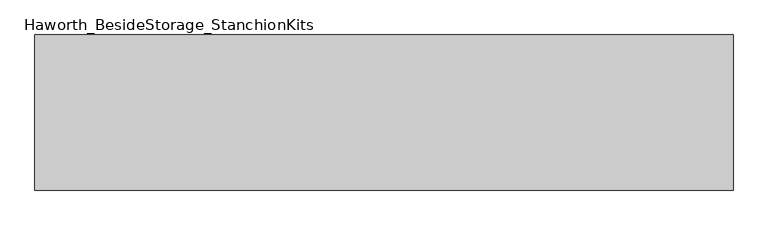
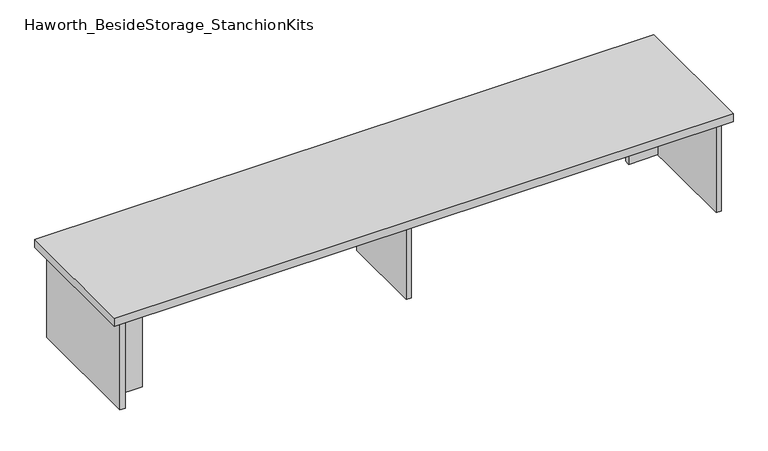
"""IFC4 building model written with IfcOpenShell, lengths in millimetres: furniture geometry, Haworth_BesideStorage_StanchionKits."""

import ifcopenshell
import ifcopenshell.guid

model = None  # the IFC model being written
_history = None  # IfcOwnerHistory: only IFC2X3 demands one
_inside = {}  # id of a spatial element -> (the spatial element, [elements in it])
_under = {}  # id of a project, library or spatial element -> (it, [spatial elements below it])
_declared = {}  # id of a project -> (the project, [libraries it declares])
_typed = {}  # id of a type object -> (the type object, [elements of that type])
_made_of = {}  # id of a material, layer set ... -> (it, [elements and type objects made of it])


def new_model(schema):
    """Start an empty IFC model of exactly this schema.

    Asked for "IFC4X3", IfcOpenShell would pick the latest addendum, in which some entities
    have other attributes; the version numbers below select the first issue.
    IFC2X3 requires an IfcOwnerHistory on every rooted entity: one is made here for all.
    """
    global model, _history
    if schema == "IFC4X3":
        model = ifcopenshell.file(schema_version=(4, 3, 0, 0))
    else:
        model = ifcopenshell.file(schema=schema)
    _inside.clear()
    _under.clear()
    _declared.clear()
    _typed.clear()
    _made_of.clear()
    _history = None
    if model.schema == "IFC2X3":
        org = make("IfcOrganization", Name="unknown")
        user = make(
            "IfcPersonAndOrganization",
            ThePerson=make("IfcPerson", FamilyName="unknown"),
            TheOrganization=org,
        )
        app = make(
            "IfcApplication",
            ApplicationDeveloper=org,
            Version="unknown",
            ApplicationFullName="unknown",
            ApplicationIdentifier="unknown",
        )
        _history = make(
            "IfcOwnerHistory",
            OwningUser=user,
            OwningApplication=app,
            ChangeAction="ADDED",
            CreationDate=0,
        )
    return model


def make(cls, **values):
    """One entity of the class cls with the attributes given. An attribute that is None is left unset."""
    return model.create_entity(
        cls, **{name: value for name, value in values.items() if value is not None}
    )


def rooted(cls, **values):
    """An entity with a GlobalId (a new one), such as an element, a storey or a relation."""
    return make(cls, GlobalId=ifcopenshell.guid.new(), OwnerHistory=_history, **values)


def si_unit(unit_type, name, prefix=None):
    """IfcSIUnit, for example si_unit("LENGTHUNIT", "METRE", prefix="MILLI")."""
    return make("IfcSIUnit", UnitType=unit_type, Prefix=prefix, Name=name)


def assignment(units):
    """IfcUnitAssignment: the units of a project."""
    return None if units is None else make("IfcUnitAssignment", Units=units)


def point(xyz):
    """IfcCartesianPoint."""
    return None if xyz is None else make("IfcCartesianPoint", Coordinates=xyz)


def direction(xyz):
    """IfcDirection."""
    return None if xyz is None else make("IfcDirection", DirectionRatios=xyz)


def frame(location, z_axis=None, x_axis=None):
    """IfcAxis2Placement3D, a coordinate frame: its origin and axes. An axis left out is left unset."""
    return make(
        "IfcAxis2Placement3D",
        Location=point(location),
        Axis=direction(z_axis),
        RefDirection=direction(x_axis),
    )


def origin():
    """The frame at (0, 0, 0) with its axes left unset."""
    return frame((0.0, 0.0, 0.0))


def place(relative_to, where):
    """IfcLocalPlacement: puts the frame where relative to a parent placement (None: the world)."""
    return make(
        "IfcLocalPlacement", PlacementRelTo=relative_to, RelativePlacement=where
    )


def context(
    kind, dimensions, precision=None, world=None, true_north=None, identifier=None
):
    """IfcGeometricRepresentationContext, for example the 3D "Model" context."""
    return make(
        "IfcGeometricRepresentationContext",
        ContextIdentifier=identifier,
        ContextType=kind,
        CoordinateSpaceDimension=dimensions,
        Precision=precision,
        WorldCoordinateSystem=world,
        TrueNorth=true_north,
    )


def project(units=None, contexts=None):
    """IfcProject with its units and contexts."""
    return rooted(
        "IfcProject",
        Name="project",
        RepresentationContexts=contexts,
        UnitsInContext=assignment(units),
    )


def spatial(cls, under=None, at=None, **own):
    """A site, building, storey or space (cls), placed at a placement, below another one or the project."""
    s = rooted(cls, ObjectPlacement=at, **own)
    if under is not None:
        _under.setdefault(under.id(), (under, []))[1].append(s)
    return s


def polyline(points):
    """IfcPolyline through the points."""
    return make("IfcPolyline", Points=[point(p) for p in points])


def outline(outer, holes=None, kind="AREA"):
    """IfcArbitraryClosedProfileDef: a profile drawn as a closed curve; with holes, ...WithVoids."""
    if holes is None:
        return make("IfcArbitraryClosedProfileDef", ProfileType=kind, OuterCurve=outer)
    return make(
        "IfcArbitraryProfileDefWithVoids",
        ProfileType=kind,
        OuterCurve=outer,
        InnerCurves=holes,
    )


def extrude(swept, where, along, depth):
    """IfcExtrudedAreaSolid: the profile swept, set in the frame where, extruded along a direction by depth."""
    return make(
        "IfcExtrudedAreaSolid",
        SweptArea=swept,
        Position=where,
        ExtrudedDirection=direction(along),
        Depth=depth,
    )


def shape(context_of_items, identifier, shape_type, items):
    """IfcShapeRepresentation: the items that make up one representation, for example the "Body"."""
    return make(
        "IfcShapeRepresentation",
        ContextOfItems=context_of_items,
        RepresentationIdentifier=identifier,
        RepresentationType=shape_type,
        Items=items,
    )


def source(mapping_origin, context_of_items, identifier, shape_type, items):
    """IfcRepresentationMap: a shape defined once, which mapped items show again and again."""
    return make(
        "IfcRepresentationMap",
        MappingOrigin=mapping_origin,
        MappedRepresentation=shape(context_of_items, identifier, shape_type, items),
    )


def transform(
    local_origin,
    x_axis=None,
    y_axis=None,
    z_axis=None,
    scale=None,
    scale2=None,
    scale3=None,
    uniform=True,
):
    """IfcCartesianTransformationOperator3D, or its non-uniform kind. x_axis, y_axis, z_axis: its Axis1, 2, 3."""
    if uniform:
        return make(
            "IfcCartesianTransformationOperator3D",
            Axis1=direction(x_axis),
            Axis2=direction(y_axis),
            LocalOrigin=point(local_origin),
            Scale=scale,
            Axis3=direction(z_axis),
        )
    return make(
        "IfcCartesianTransformationOperator3DnonUniform",
        Axis1=direction(x_axis),
        Axis2=direction(y_axis),
        LocalOrigin=point(local_origin),
        Scale=scale,
        Axis3=direction(z_axis),
        Scale2=scale2,
        Scale3=scale3,
    )


def mapped(mapping_source, mapping_target):
    """IfcMappedItem: shows the shape of a source again, moved by a transform."""
    return make(
        "IfcMappedItem", MappingSource=mapping_source, MappingTarget=mapping_target
    )


def made_of(thing, what):
    """Note that an element or type object is made of a material, layer set ...; save() writes the relation."""
    if what is not None:
        _made_of.setdefault(what.id(), (what, []))[1].append(thing)
    return thing


def element(
    cls,
    number,
    at=None,
    inside=None,
    cuts=None,
    type_object=None,
    material=None,
    context=None,
    identifier="Body",
    shape_type=None,
    held_by="IfcProductDefinitionShape",
    body=None,
    shapes=None,
    **own,
):
    """One element of the class cls, such as IfcWall. Its Tag is "e" and its number.

    at: its placement. inside: the storey or other place that contains it. cuts: it is an
    opening in that element (IfcRelVoidsElement). A single representation is given by context,
    identifier, shape_type and body (its items); several are given by shapes. held_by: the class
    of the entity that holds the representations. save() writes the other relations.
    """
    e = rooted(cls, Tag="e%d" % number, ObjectPlacement=at, **own)
    if body is not None:
        shapes = [shape(context, identifier, shape_type, body)]
    if shapes is not None:
        e.Representation = make(held_by, Representations=shapes)
    if inside is not None:
        _inside.setdefault(inside.id(), (inside, []))[1].append(e)
    if cuts is not None:
        rooted(
            "IfcRelVoidsElement", RelatingBuildingElement=cuts, RelatedOpeningElement=e
        )
    if type_object is not None:
        _typed.setdefault(type_object.id(), (type_object, []))[1].append(e)
    return made_of(e, material)


def aggregate(whole, parts):
    """IfcRelAggregates: a whole, such as a stair, and the parts it consists of."""
    return rooted("IfcRelAggregates", RelatingObject=whole, RelatedObjects=parts)


def save(model, path):
    """Write the relations noted so far, then the file.

    IfcRelAggregates (storeys below a building ...), IfcRelContainedInSpatialStructure (elements
    in a storey), IfcRelDefinesByType, IfcRelAssociatesMaterial and IfcRelDeclares: one each for
    every whole, place, type object, material and project.
    """
    for whole, parts in _under.values():
        aggregate(whole, parts)
    for where, things in _inside.values():
        rooted(
            "IfcRelContainedInSpatialStructure",
            RelatedElements=things,
            RelatingStructure=where,
        )
    for kind, things in _typed.values():
        rooted("IfcRelDefinesByType", RelatedObjects=things, RelatingType=kind)
    for what, things in _made_of.values():
        rooted("IfcRelAssociatesMaterial", RelatedObjects=things, RelatingMaterial=what)
    for by, libraries in _declared.values():
        rooted("IfcRelDeclares", RelatingContext=by, RelatedDefinitions=libraries)
    model.write(path)


def haworth_besidestorage_stanchionkits_283c956a(model_context):
    return source(origin(), model_context, "Body", "SweptSolid", [
        extrude(outline(polyline([(1076.325, 0.0), (1076.325, -406.4), (-752.475, -406.4), (-752.475, 0.0), (1076.325, 0.0)])), frame((0.0, 0.0, 711.2), z_axis=(0.0, 0.0, 1.0), x_axis=(1.0, 0.0, 0.0)), (0.0, 0.0, 1.0), 25.4),
        extrude(outline(polyline([(949.325, -76.2), (1035.05, -76.2), (1035.05, -92.075), (949.325, -92.075), (949.325, -76.2)])), frame((0.0, 0.0, 431.8), z_axis=(0.0, 0.0, 1.0), x_axis=(1.0, 0.0, 0.0)), (0.0, 0.0, 1.0), 279.4),
        extrude(outline(polyline([(-625.475, -314.325), (-625.475, -330.2), (-711.2, -330.2), (-711.2, -314.325), (-625.475, -314.325)])), frame((0.0, 0.0, 431.8), z_axis=(0.0, 0.0, 1.0), x_axis=(1.0, 0.0, 0.0)), (0.0, 0.0, 1.0), 279.4),
        extrude(outline(polyline([(169.8625, -330.2), (153.9875, -330.2), (153.9875, -76.2), (169.8625, -76.2), (169.8625, -330.2)])), frame((0.0, 0.0, 431.8), z_axis=(0.0, 0.0, 1.0), x_axis=(1.0, 0.0, 0.0)), (0.0, 0.0, 1.0), 279.4),
        extrude(outline(polyline([(1050.925, -390.525), (1035.05, -390.525), (1035.05, -15.875), (1050.925, -15.875), (1050.925, -390.525)])), frame((0.0, 0.0, 431.8), z_axis=(0.0, 0.0, 1.0), x_axis=(1.0, 0.0, 0.0)), (0.0, 0.0, 1.0), 279.4),
        extrude(outline(polyline([(-711.2, -390.525), (-727.075, -390.525), (-727.075, -15.875), (-711.2, -15.875), (-711.2, -390.525)])), frame((0.0, 0.0, 431.8), z_axis=(0.0, 0.0, 1.0), x_axis=(1.0, 0.0, 0.0)), (0.0, 0.0, 1.0), 279.4),
    ])


if __name__ == "__main__":
    model = new_model("IFC4")
    model_context = context("Model", 3, world=origin())
    ifc_project = project(units=[si_unit("LENGTHUNIT", "METRE", prefix="MILLI")], contexts=[model_context])
    site = spatial("IfcSite", under=ifc_project)
    building = spatial("IfcBuilding", under=site)
    placement = place(None, origin())
    haworth_besidestorage_stanchionkits_shape = haworth_besidestorage_stanchionkits_283c956a(model_context)
    element("IfcFurniture", 1, ObjectType="Haworth_BesideStorage_StanchionKits", at=placement, inside=building, context=model_context, shape_type="MappedRepresentation", body=[
        mapped(haworth_besidestorage_stanchionkits_shape, transform((0.0, 0.0, 0.0), x_axis=(1.0, 0.0, 0.0), y_axis=(0.0, 1.0, 0.0), z_axis=(0.0, 0.0, 1.0))),
    ])
    save(model, "model.ifc")
